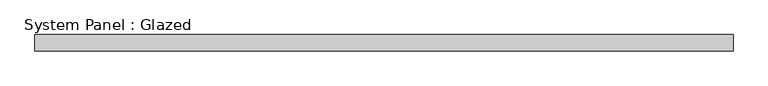
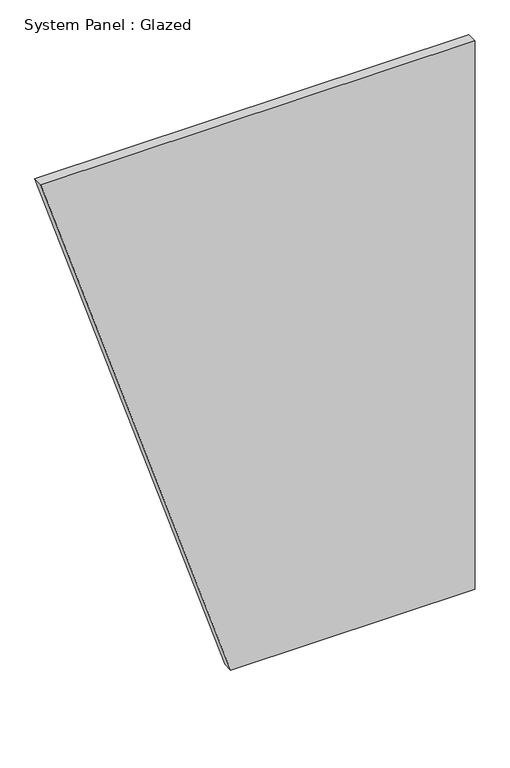
"""IFC4 building model written with IfcOpenShell, lengths in millimetres: plate geometry, System Panel : Glazed."""

import ifcopenshell
import ifcopenshell.guid

model = None  # the IFC model being written
_history = None  # IfcOwnerHistory: only IFC2X3 demands one
_inside = {}  # id of a spatial element -> (the spatial element, [elements in it])
_under = {}  # id of a project, library or spatial element -> (it, [spatial elements below it])
_declared = {}  # id of a project -> (the project, [libraries it declares])
_typed = {}  # id of a type object -> (the type object, [elements of that type])
_made_of = {}  # id of a material, layer set ... -> (it, [elements and type objects made of it])


def new_model(schema):
    """Start an empty IFC model of exactly this schema.

    Asked for "IFC4X3", IfcOpenShell would pick the latest addendum, in which some entities
    have other attributes; the version numbers below select the first issue.
    IFC2X3 requires an IfcOwnerHistory on every rooted entity: one is made here for all.
    """
    global model, _history
    if schema == "IFC4X3":
        model = ifcopenshell.file(schema_version=(4, 3, 0, 0))
    else:
        model = ifcopenshell.file(schema=schema)
    _inside.clear()
    _under.clear()
    _declared.clear()
    _typed.clear()
    _made_of.clear()
    _history = None
    if model.schema == "IFC2X3":
        org = make("IfcOrganization", Name="unknown")
        user = make(
            "IfcPersonAndOrganization",
            ThePerson=make("IfcPerson", FamilyName="unknown"),
            TheOrganization=org,
        )
        app = make(
            "IfcApplication",
            ApplicationDeveloper=org,
            Version="unknown",
            ApplicationFullName="unknown",
            ApplicationIdentifier="unknown",
        )
        _history = make(
            "IfcOwnerHistory",
            OwningUser=user,
            OwningApplication=app,
            ChangeAction="ADDED",
            CreationDate=0,
        )
    return model


def make(cls, **values):
    """One entity of the class cls with the attributes given. An attribute that is None is left unset."""
    return model.create_entity(
        cls, **{name: value for name, value in values.items() if value is not None}
    )


def rooted(cls, **values):
    """An entity with a GlobalId (a new one), such as an element, a storey or a relation."""
    return make(cls, GlobalId=ifcopenshell.guid.new(), OwnerHistory=_history, **values)


def si_unit(unit_type, name, prefix=None):
    """IfcSIUnit, for example si_unit("LENGTHUNIT", "METRE", prefix="MILLI")."""
    return make("IfcSIUnit", UnitType=unit_type, Prefix=prefix, Name=name)


def assignment(units):
    """IfcUnitAssignment: the units of a project."""
    return None if units is None else make("IfcUnitAssignment", Units=units)


def point(xyz):
    """IfcCartesianPoint."""
    return None if xyz is None else make("IfcCartesianPoint", Coordinates=xyz)


def direction(xyz):
    """IfcDirection."""
    return None if xyz is None else make("IfcDirection", DirectionRatios=xyz)


def frame(location, z_axis=None, x_axis=None):
    """IfcAxis2Placement3D, a coordinate frame: its origin and axes. An axis left out is left unset."""
    return make(
        "IfcAxis2Placement3D",
        Location=point(location),
        Axis=direction(z_axis),
        RefDirection=direction(x_axis),
    )


def origin():
    """The frame at (0, 0, 0) with its axes left unset."""
    return frame((0.0, 0.0, 0.0))


def place(relative_to, where):
    """IfcLocalPlacement: puts the frame where relative to a parent placement (None: the world)."""
    return make(
        "IfcLocalPlacement", PlacementRelTo=relative_to, RelativePlacement=where
    )


def context(
    kind, dimensions, precision=None, world=None, true_north=None, identifier=None
):
    """IfcGeometricRepresentationContext, for example the 3D "Model" context."""
    return make(
        "IfcGeometricRepresentationContext",
        ContextIdentifier=identifier,
        ContextType=kind,
        CoordinateSpaceDimension=dimensions,
        Precision=precision,
        WorldCoordinateSystem=world,
        TrueNorth=true_north,
    )


def project(units=None, contexts=None):
    """IfcProject with its units and contexts."""
    return rooted(
        "IfcProject",
        Name="project",
        RepresentationContexts=contexts,
        UnitsInContext=assignment(units),
    )


def spatial(cls, under=None, at=None, **own):
    """A site, building, storey or space (cls), placed at a placement, below another one or the project."""
    s = rooted(cls, ObjectPlacement=at, **own)
    if under is not None:
        _under.setdefault(under.id(), (under, []))[1].append(s)
    return s


def polyline(points):
    """IfcPolyline through the points."""
    return make("IfcPolyline", Points=[point(p) for p in points])


def outline(outer, holes=None, kind="AREA"):
    """IfcArbitraryClosedProfileDef: a profile drawn as a closed curve; with holes, ...WithVoids."""
    if holes is None:
        return make("IfcArbitraryClosedProfileDef", ProfileType=kind, OuterCurve=outer)
    return make(
        "IfcArbitraryProfileDefWithVoids",
        ProfileType=kind,
        OuterCurve=outer,
        InnerCurves=holes,
    )


def extrude(swept, where, along, depth):
    """IfcExtrudedAreaSolid: the profile swept, set in the frame where, extruded along a direction by depth."""
    return make(
        "IfcExtrudedAreaSolid",
        SweptArea=swept,
        Position=where,
        ExtrudedDirection=direction(along),
        Depth=depth,
    )


def shape(context_of_items, identifier, shape_type, items):
    """IfcShapeRepresentation: the items that make up one representation, for example the "Body"."""
    return make(
        "IfcShapeRepresentation",
        ContextOfItems=context_of_items,
        RepresentationIdentifier=identifier,
        RepresentationType=shape_type,
        Items=items,
    )


def source(mapping_origin, context_of_items, identifier, shape_type, items):
    """IfcRepresentationMap: a shape defined once, which mapped items show again and again."""
    return make(
        "IfcRepresentationMap",
        MappingOrigin=mapping_origin,
        MappedRepresentation=shape(context_of_items, identifier, shape_type, items),
    )


def transform(
    local_origin,
    x_axis=None,
    y_axis=None,
    z_axis=None,
    scale=None,
    scale2=None,
    scale3=None,
    uniform=True,
):
    """IfcCartesianTransformationOperator3D, or its non-uniform kind. x_axis, y_axis, z_axis: its Axis1, 2, 3."""
    if uniform:
        return make(
            "IfcCartesianTransformationOperator3D",
            Axis1=direction(x_axis),
            Axis2=direction(y_axis),
            LocalOrigin=point(local_origin),
            Scale=scale,
            Axis3=direction(z_axis),
        )
    return make(
        "IfcCartesianTransformationOperator3DnonUniform",
        Axis1=direction(x_axis),
        Axis2=direction(y_axis),
        LocalOrigin=point(local_origin),
        Scale=scale,
        Axis3=direction(z_axis),
        Scale2=scale2,
        Scale3=scale3,
    )


def mapped(mapping_source, mapping_target):
    """IfcMappedItem: shows the shape of a source again, moved by a transform."""
    return make(
        "IfcMappedItem", MappingSource=mapping_source, MappingTarget=mapping_target
    )


def made_of(thing, what):
    """Note that an element or type object is made of a material, layer set ...; save() writes the relation."""
    if what is not None:
        _made_of.setdefault(what.id(), (what, []))[1].append(thing)
    return thing


def element(
    cls,
    number,
    at=None,
    inside=None,
    cuts=None,
    type_object=None,
    material=None,
    context=None,
    identifier="Body",
    shape_type=None,
    held_by="IfcProductDefinitionShape",
    body=None,
    shapes=None,
    **own,
):
    """One element of the class cls, such as IfcWall. Its Tag is "e" and its number.

    at: its placement. inside: the storey or other place that contains it. cuts: it is an
    opening in that element (IfcRelVoidsElement). A single representation is given by context,
    identifier, shape_type and body (its items); several are given by shapes. held_by: the class
    of the entity that holds the representations. save() writes the other relations.
    """
    e = rooted(cls, Tag="e%d" % number, ObjectPlacement=at, **own)
    if body is not None:
        shapes = [shape(context, identifier, shape_type, body)]
    if shapes is not None:
        e.Representation = make(held_by, Representations=shapes)
    if inside is not None:
        _inside.setdefault(inside.id(), (inside, []))[1].append(e)
    if cuts is not None:
        rooted(
            "IfcRelVoidsElement", RelatingBuildingElement=cuts, RelatedOpeningElement=e
        )
    if type_object is not None:
        _typed.setdefault(type_object.id(), (type_object, []))[1].append(e)
    return made_of(e, material)


def aggregate(whole, parts):
    """IfcRelAggregates: a whole, such as a stair, and the parts it consists of."""
    return rooted("IfcRelAggregates", RelatingObject=whole, RelatedObjects=parts)


def save(model, path):
    """Write the relations noted so far, then the file.

    IfcRelAggregates (storeys below a building ...), IfcRelContainedInSpatialStructure (elements
    in a storey), IfcRelDefinesByType, IfcRelAssociatesMaterial and IfcRelDeclares: one each for
    every whole, place, type object, material and project.
    """
    for whole, parts in _under.values():
        aggregate(whole, parts)
    for where, things in _inside.values():
        rooted(
            "IfcRelContainedInSpatialStructure",
            RelatedElements=things,
            RelatingStructure=where,
        )
    for kind, things in _typed.values():
        rooted("IfcRelDefinesByType", RelatedObjects=things, RelatingType=kind)
    for what, things in _made_of.values():
        rooted("IfcRelAssociatesMaterial", RelatedObjects=things, RelatingMaterial=what)
    for by, libraries in _declared.values():
        rooted("IfcRelDeclares", RelatingContext=by, RelatedDefinitions=libraries)
    model.write(path)


def system_panel_glazed_afbf4afb(model_context):
    return source(origin(), model_context, "Body", "SweptSolid", [
        extrude(outline(polyline([(0.0, -68.3693594), (0.0, 547.2039307), (1460.5, 547.2039307), (1460.5, -547.2039307), (0.0, -68.3693594)])), frame((0.0, -44.45, 0.0), z_axis=(0.0, 1.0, 0.0), x_axis=(0.0, 0.0, 1.0)), (0.0, 0.0, 1.0), 25.4),
    ])


if __name__ == "__main__":
    model = new_model("IFC4")
    model_context = context("Model", 3, world=origin())
    ifc_project = project(units=[si_unit("LENGTHUNIT", "METRE", prefix="MILLI")], contexts=[model_context])
    site = spatial("IfcSite", under=ifc_project)
    building = spatial("IfcBuilding", under=site)
    placement = place(None, origin())
    system_panel_glazed_shape = system_panel_glazed_afbf4afb(model_context)
    element("IfcPlate", 1, ObjectType="System Panel : Glazed", at=placement, inside=building, context=model_context, shape_type="MappedRepresentation", body=[
        mapped(system_panel_glazed_shape, transform((0.0, 0.0, 0.0), x_axis=(1.0, 0.0, 0.0), y_axis=(0.0, 1.0, 0.0), z_axis=(0.0, 0.0, 1.0))),
    ])
    save(model, "model.ifc")
